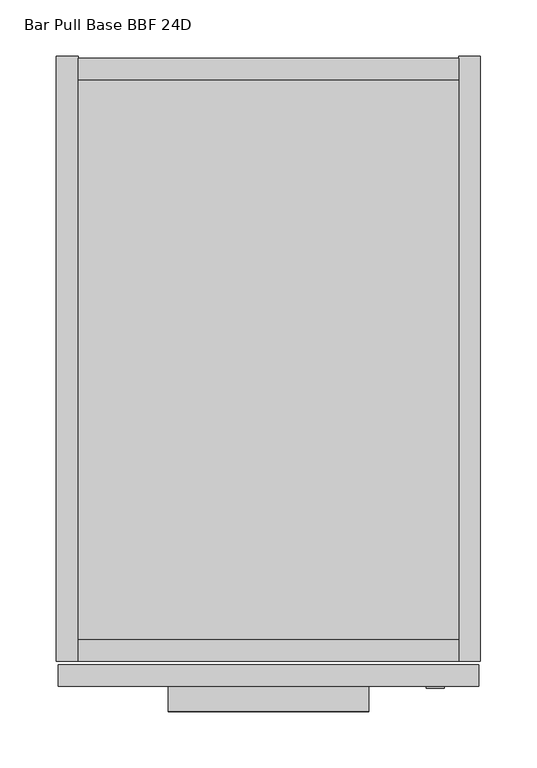
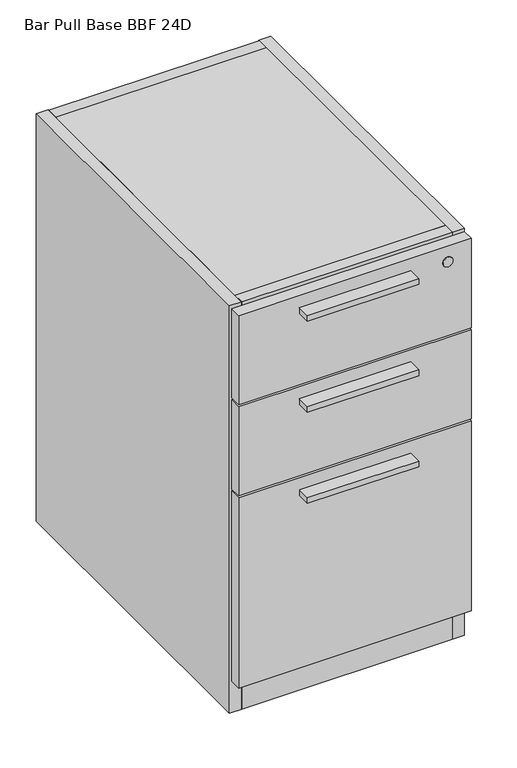
"""IFC4 building model written with IfcOpenShell, lengths in millimetres: furniture geometry, Bar Pull Base BBF 24D."""

from ifc_helpers import new_model, si_unit, point, frame, frame_2d, origin, origin_with_axes, place, context, project, spatial, polyline, circle_curve, trimmed, segment, composite_curve, outline, extrude, source, transform, mapped, element, save


def bar_pull_base_bbf_24d_f3c117df(model_context):
    return source(origin(), model_context, "Body", "SweptSolid", [
        extrude(outline(polyline([(34.8521422, -417.7168713), (50.8, -408.5093713), (66.7478578, -417.7168713), (66.7478578, -436.1318713), (50.8, -445.3393713), (34.8521422, -436.1318713), (34.8521422, -417.7168713)])), origin_with_axes(), (0.0, 0.0, 1.0), 9.144),
        extrude(outline(polyline([(309.1721422, -417.7168713), (325.12, -408.5093713), (341.0678578, -417.7168713), (341.0678578, -436.1318713), (325.12, -445.3393713), (309.1721422, -436.1318713), (309.1721422, -417.7168713)])), origin_with_axes(), (0.0, 0.0, 1.0), 9.144),
        extrude(outline(polyline([(309.1721422, 29.4501287), (325.12, 38.6576287), (341.0678578, 29.4501287), (341.0678578, 11.0351287), (325.12, 1.8276287), (309.1721422, 11.0351287), (309.1721422, 29.4501287)])), origin_with_axes(), (0.0, 0.0, 1.0), 9.144),
        extrude(outline(polyline([(34.8521422, 29.4501287), (50.8, 38.6576287), (66.7478578, 29.4501287), (66.7478578, 11.0351287), (50.8, 1.8276287), (34.8521422, 11.0351287), (34.8521422, 29.4501287)])), origin_with_axes(), (0.0, 0.0, 1.0), 9.144),
        extrude(outline(polyline([(276.86, -509.7283713), (99.06, -509.7283713), (99.06, -487.5033713), (276.86, -487.5033713), (276.86, -509.7283713)])), frame((0.0, 0.0, 351.92208), z_axis=(0.0, 0.0, 1.0), x_axis=(1.0, 0.0, 0.0)), (0.0, 0.0, 1.0), 9.525),
        extrude(outline(polyline([(276.86, -509.7283713), (99.06, -509.7283713), (99.06, -487.5033713), (276.86, -487.5033713), (276.86, -509.7283713)])), frame((0.0, 0.0, 506.12548), z_axis=(0.0, 0.0, 1.0), x_axis=(1.0, 0.0, 0.0)), (0.0, 0.0, 1.0), 9.525),
        extrude(outline(polyline([(276.86, -509.7283713), (99.06, -509.7283713), (99.06, -487.5033713), (276.86, -487.5033713), (276.86, -509.7283713)])), frame((0.0, 0.0, 660.32888), z_axis=(0.0, 0.0, 1.0), x_axis=(1.0, 0.0, 0.0)), (0.0, 0.0, 1.0), 9.525),
        extrude(outline(polyline([(374.3325, -487.5033713), (1.5875, -487.5033713), (1.5875, -468.1993713), (374.3325, -468.1993713), (374.3325, -487.5033713)])), frame((0.0, 0.0, 539.46298), z_axis=(0.0, 0.0, 1.0), x_axis=(1.0, 0.0, 0.0)), (0.0, 0.0, 1.0), 151.0284),
        extrude(outline(polyline([(374.3325, -487.5033713), (1.5875, -487.5033713), (1.5875, -468.1993713), (374.3325, -468.1993713), (374.3325, -487.5033713)])), frame((0.0, 0.0, 385.25958), z_axis=(0.0, 0.0, 1.0), x_axis=(1.0, 0.0, 0.0)), (0.0, 0.0, 1.0), 151.0284),
        extrude(outline(polyline([(374.3325, -468.1993713), (374.3325, -487.5033713), (1.5875, -487.5033713), (1.5875, -468.1993713), (374.3325, -468.1993713)])), frame((0.0, 0.0, 60.26658), z_axis=(0.0, 0.0, 1.0), x_axis=(1.0, 0.0, 0.0)), (0.0, 0.0, 1.0), 321.818),
        extrude(outline(polyline([(356.616, 50.0749287), (356.616, -445.7203713), (19.304, -445.7203713), (19.304, 50.0749287), (356.616, 50.0749287)])), frame((0.0, 0.0, 60.26658), z_axis=(0.0, 0.0, 1.0), x_axis=(1.0, 0.0, 0.0)), (0.0, 0.0, 1.0), 633.3998),
        extrude(outline(polyline([(356.616, 69.3789287), (356.616, 50.0749287), (19.304, 50.0749287), (19.304, 69.3789287), (356.616, 69.3789287)])), frame((0.0, 0.0, 4.699), z_axis=(0.0, 0.0, 1.0), x_axis=(1.0, 0.0, 0.0)), (0.0, 0.0, 1.0), 688.96738),
        extrude(outline(polyline([(356.616, -445.7203713), (356.616, -465.0243713), (19.304, -465.0243713), (19.304, -445.7203713), (356.616, -445.7203713)])), frame((0.0, 0.0, 4.699), z_axis=(0.0, 0.0, 1.0), x_axis=(1.0, 0.0, 0.0)), (0.0, 0.0, 1.0), 688.96738),
        extrude(outline(polyline([(19.304, 71.0426287), (19.304, -465.0243713), (0.0, -465.0243713), (0.0, 71.0426287), (19.304, 71.0426287)])), frame((0.0, 0.0, 4.699), z_axis=(0.0, 0.0, 1.0), x_axis=(1.0, 0.0, 0.0)), (0.0, 0.0, 1.0), 688.96738),
        extrude(outline(polyline([(375.92, 71.0426287), (375.92, -465.0243713), (356.616, -465.0243713), (356.616, 71.0426287), (375.92, 71.0426287)])), frame((0.0, 0.0, 4.699), z_axis=(0.0, 0.0, 1.0), x_axis=(1.0, 0.0, 0.0)), (0.0, 0.0, 1.0), 688.96738),
        extrude(outline(composite_curve([segment(trimmed(circle_curve(frame_2d((665.09138, 335.915)), 8.001), [point((665.09138, 327.914))], [point((665.09138, 343.916))], False, "CARTESIAN"), True, "CONTINUOUS"), segment(trimmed(circle_curve(frame_2d((665.09138, 335.915)), 8.001), [point((665.09138, 343.916))], [point((665.09138, 327.914))], False, "CARTESIAN"), True, "CONTINUOUS")], self_intersect=False)), frame((0.0, -489.0908713, 0.0), z_axis=(0.0, 1.0, 0.0), x_axis=(0.0, 0.0, 1.0)), (0.0, 0.0, 1.0), 1.5875),
    ])


if __name__ == "__main__":
    model = new_model("IFC4")
    model_context = context("Model", 3, world=origin())
    ifc_project = project(units=[si_unit("LENGTHUNIT", "METRE", prefix="MILLI")], contexts=[model_context])
    site = spatial("IfcSite", under=ifc_project)
    building = spatial("IfcBuilding", under=site)
    placement = place(None, origin())
    bar_pull_base_bbf_24d_shape = bar_pull_base_bbf_24d_f3c117df(model_context)
    element("IfcFurniture", 1, ObjectType="Bar Pull Base BBF 24D", at=placement, inside=building, context=model_context, shape_type="MappedRepresentation", body=[
        mapped(bar_pull_base_bbf_24d_shape, transform((0.0, 0.0, 0.0), x_axis=(1.0, 0.0, 0.0), y_axis=(0.0, 1.0, 0.0), z_axis=(0.0, 0.0, 1.0))),
    ])
    save(model, "model.ifc")
